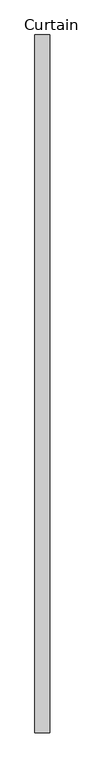
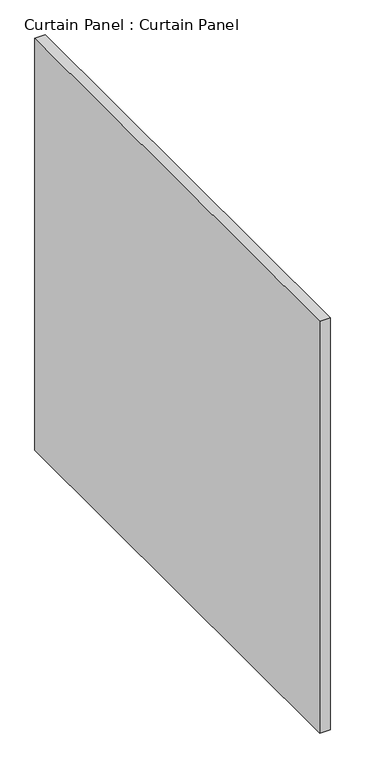
"""IFC4 building model written with IfcOpenShell, lengths in millimetres: plate geometry, Curtain Panel : Curtain Panel."""

import ifcopenshell
import ifcopenshell.guid

model = None  # the IFC model being written
_history = None  # IfcOwnerHistory: only IFC2X3 demands one
_inside = {}  # id of a spatial element -> (the spatial element, [elements in it])
_under = {}  # id of a project, library or spatial element -> (it, [spatial elements below it])
_declared = {}  # id of a project -> (the project, [libraries it declares])
_typed = {}  # id of a type object -> (the type object, [elements of that type])
_made_of = {}  # id of a material, layer set ... -> (it, [elements and type objects made of it])


def new_model(schema):
    """Start an empty IFC model of exactly this schema.

    Asked for "IFC4X3", IfcOpenShell would pick the latest addendum, in which some entities
    have other attributes; the version numbers below select the first issue.
    IFC2X3 requires an IfcOwnerHistory on every rooted entity: one is made here for all.
    """
    global model, _history
    if schema == "IFC4X3":
        model = ifcopenshell.file(schema_version=(4, 3, 0, 0))
    else:
        model = ifcopenshell.file(schema=schema)
    _inside.clear()
    _under.clear()
    _declared.clear()
    _typed.clear()
    _made_of.clear()
    _history = None
    if model.schema == "IFC2X3":
        org = make("IfcOrganization", Name="unknown")
        user = make(
            "IfcPersonAndOrganization",
            ThePerson=make("IfcPerson", FamilyName="unknown"),
            TheOrganization=org,
        )
        app = make(
            "IfcApplication",
            ApplicationDeveloper=org,
            Version="unknown",
            ApplicationFullName="unknown",
            ApplicationIdentifier="unknown",
        )
        _history = make(
            "IfcOwnerHistory",
            OwningUser=user,
            OwningApplication=app,
            ChangeAction="ADDED",
            CreationDate=0,
        )
    return model


def make(cls, **values):
    """One entity of the class cls with the attributes given. An attribute that is None is left unset."""
    return model.create_entity(
        cls, **{name: value for name, value in values.items() if value is not None}
    )


def rooted(cls, **values):
    """An entity with a GlobalId (a new one), such as an element, a storey or a relation."""
    return make(cls, GlobalId=ifcopenshell.guid.new(), OwnerHistory=_history, **values)


def si_unit(unit_type, name, prefix=None):
    """IfcSIUnit, for example si_unit("LENGTHUNIT", "METRE", prefix="MILLI")."""
    return make("IfcSIUnit", UnitType=unit_type, Prefix=prefix, Name=name)


def assignment(units):
    """IfcUnitAssignment: the units of a project."""
    return None if units is None else make("IfcUnitAssignment", Units=units)


def point(xyz):
    """IfcCartesianPoint."""
    return None if xyz is None else make("IfcCartesianPoint", Coordinates=xyz)


def direction(xyz):
    """IfcDirection."""
    return None if xyz is None else make("IfcDirection", DirectionRatios=xyz)


def frame(location, z_axis=None, x_axis=None):
    """IfcAxis2Placement3D, a coordinate frame: its origin and axes. An axis left out is left unset."""
    return make(
        "IfcAxis2Placement3D",
        Location=point(location),
        Axis=direction(z_axis),
        RefDirection=direction(x_axis),
    )


def origin():
    """The frame at (0, 0, 0) with its axes left unset."""
    return frame((0.0, 0.0, 0.0))


def place(relative_to, where):
    """IfcLocalPlacement: puts the frame where relative to a parent placement (None: the world)."""
    return make(
        "IfcLocalPlacement", PlacementRelTo=relative_to, RelativePlacement=where
    )


def context(
    kind, dimensions, precision=None, world=None, true_north=None, identifier=None
):
    """IfcGeometricRepresentationContext, for example the 3D "Model" context."""
    return make(
        "IfcGeometricRepresentationContext",
        ContextIdentifier=identifier,
        ContextType=kind,
        CoordinateSpaceDimension=dimensions,
        Precision=precision,
        WorldCoordinateSystem=world,
        TrueNorth=true_north,
    )


def project(units=None, contexts=None):
    """IfcProject with its units and contexts."""
    return rooted(
        "IfcProject",
        Name="project",
        RepresentationContexts=contexts,
        UnitsInContext=assignment(units),
    )


def spatial(cls, under=None, at=None, **own):
    """A site, building, storey or space (cls), placed at a placement, below another one or the project."""
    s = rooted(cls, ObjectPlacement=at, **own)
    if under is not None:
        _under.setdefault(under.id(), (under, []))[1].append(s)
    return s


def polyline(points):
    """IfcPolyline through the points."""
    return make("IfcPolyline", Points=[point(p) for p in points])


def outline(outer, holes=None, kind="AREA"):
    """IfcArbitraryClosedProfileDef: a profile drawn as a closed curve; with holes, ...WithVoids."""
    if holes is None:
        return make("IfcArbitraryClosedProfileDef", ProfileType=kind, OuterCurve=outer)
    return make(
        "IfcArbitraryProfileDefWithVoids",
        ProfileType=kind,
        OuterCurve=outer,
        InnerCurves=holes,
    )


def extrude(swept, where, along, depth):
    """IfcExtrudedAreaSolid: the profile swept, set in the frame where, extruded along a direction by depth."""
    return make(
        "IfcExtrudedAreaSolid",
        SweptArea=swept,
        Position=where,
        ExtrudedDirection=direction(along),
        Depth=depth,
    )


def shape(context_of_items, identifier, shape_type, items):
    """IfcShapeRepresentation: the items that make up one representation, for example the "Body"."""
    return make(
        "IfcShapeRepresentation",
        ContextOfItems=context_of_items,
        RepresentationIdentifier=identifier,
        RepresentationType=shape_type,
        Items=items,
    )


def source(mapping_origin, context_of_items, identifier, shape_type, items):
    """IfcRepresentationMap: a shape defined once, which mapped items show again and again."""
    return make(
        "IfcRepresentationMap",
        MappingOrigin=mapping_origin,
        MappedRepresentation=shape(context_of_items, identifier, shape_type, items),
    )


def transform(
    local_origin,
    x_axis=None,
    y_axis=None,
    z_axis=None,
    scale=None,
    scale2=None,
    scale3=None,
    uniform=True,
):
    """IfcCartesianTransformationOperator3D, or its non-uniform kind. x_axis, y_axis, z_axis: its Axis1, 2, 3."""
    if uniform:
        return make(
            "IfcCartesianTransformationOperator3D",
            Axis1=direction(x_axis),
            Axis2=direction(y_axis),
            LocalOrigin=point(local_origin),
            Scale=scale,
            Axis3=direction(z_axis),
        )
    return make(
        "IfcCartesianTransformationOperator3DnonUniform",
        Axis1=direction(x_axis),
        Axis2=direction(y_axis),
        LocalOrigin=point(local_origin),
        Scale=scale,
        Axis3=direction(z_axis),
        Scale2=scale2,
        Scale3=scale3,
    )


def mapped(mapping_source, mapping_target):
    """IfcMappedItem: shows the shape of a source again, moved by a transform."""
    return make(
        "IfcMappedItem", MappingSource=mapping_source, MappingTarget=mapping_target
    )


def made_of(thing, what):
    """Note that an element or type object is made of a material, layer set ...; save() writes the relation."""
    if what is not None:
        _made_of.setdefault(what.id(), (what, []))[1].append(thing)
    return thing


def element(
    cls,
    number,
    at=None,
    inside=None,
    cuts=None,
    type_object=None,
    material=None,
    context=None,
    identifier="Body",
    shape_type=None,
    held_by="IfcProductDefinitionShape",
    body=None,
    shapes=None,
    **own,
):
    """One element of the class cls, such as IfcWall. Its Tag is "e" and its number.

    at: its placement. inside: the storey or other place that contains it. cuts: it is an
    opening in that element (IfcRelVoidsElement). A single representation is given by context,
    identifier, shape_type and body (its items); several are given by shapes. held_by: the class
    of the entity that holds the representations. save() writes the other relations.
    """
    e = rooted(cls, Tag="e%d" % number, ObjectPlacement=at, **own)
    if body is not None:
        shapes = [shape(context, identifier, shape_type, body)]
    if shapes is not None:
        e.Representation = make(held_by, Representations=shapes)
    if inside is not None:
        _inside.setdefault(inside.id(), (inside, []))[1].append(e)
    if cuts is not None:
        rooted(
            "IfcRelVoidsElement", RelatingBuildingElement=cuts, RelatedOpeningElement=e
        )
    if type_object is not None:
        _typed.setdefault(type_object.id(), (type_object, []))[1].append(e)
    return made_of(e, material)


def aggregate(whole, parts):
    """IfcRelAggregates: a whole, such as a stair, and the parts it consists of."""
    return rooted("IfcRelAggregates", RelatingObject=whole, RelatedObjects=parts)


def save(model, path):
    """Write the relations noted so far, then the file.

    IfcRelAggregates (storeys below a building ...), IfcRelContainedInSpatialStructure (elements
    in a storey), IfcRelDefinesByType, IfcRelAssociatesMaterial and IfcRelDeclares: one each for
    every whole, place, type object, material and project.
    """
    for whole, parts in _under.values():
        aggregate(whole, parts)
    for where, things in _inside.values():
        rooted(
            "IfcRelContainedInSpatialStructure",
            RelatedElements=things,
            RelatingStructure=where,
        )
    for kind, things in _typed.values():
        rooted("IfcRelDefinesByType", RelatedObjects=things, RelatingType=kind)
    for what, things in _made_of.values():
        rooted("IfcRelAssociatesMaterial", RelatedObjects=things, RelatingMaterial=what)
    for by, libraries in _declared.values():
        rooted("IfcRelDeclares", RelatingContext=by, RelatedDefinitions=libraries)
    model.write(path)


def curtain_panel_curtain_panel_9bb915e9(model_context):
    return source(origin(), model_context, "Body", "SweptSolid", [
        extrude(outline(polyline([(-411398.1205803, 5994.9686547), (-411398.1205803, 4794.8112003), (-411423.5205803, 4794.8112003), (-411423.5205803, 5994.9686547), (-411398.1205803, 5994.9686547)])), frame((0.0, 0.0, 2470.15), z_axis=(0.0, 0.0, 1.0), x_axis=(1.0, 0.0, 0.0)), (0.0, 0.0, 1.0), 1059.9603332),
    ])


if __name__ == "__main__":
    model = new_model("IFC4")
    model_context = context("Model", 3, world=origin())
    ifc_project = project(units=[si_unit("LENGTHUNIT", "METRE", prefix="MILLI")], contexts=[model_context])
    site = spatial("IfcSite", under=ifc_project)
    building = spatial("IfcBuilding", under=site)
    placement = place(None, origin())
    curtain_panel_curtain_panel_shape = curtain_panel_curtain_panel_9bb915e9(model_context)
    element("IfcPlate", 1, ObjectType="Curtain Panel : Curtain Panel", at=placement, inside=building, context=model_context, shape_type="MappedRepresentation", body=[
        mapped(curtain_panel_curtain_panel_shape, transform((0.0, 0.0, 0.0), x_axis=(1.0, 0.0, 0.0), y_axis=(0.0, 1.0, 0.0), z_axis=(0.0, 0.0, 1.0))),
    ])
    save(model, "model.ifc")
